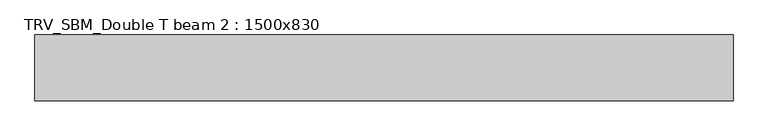
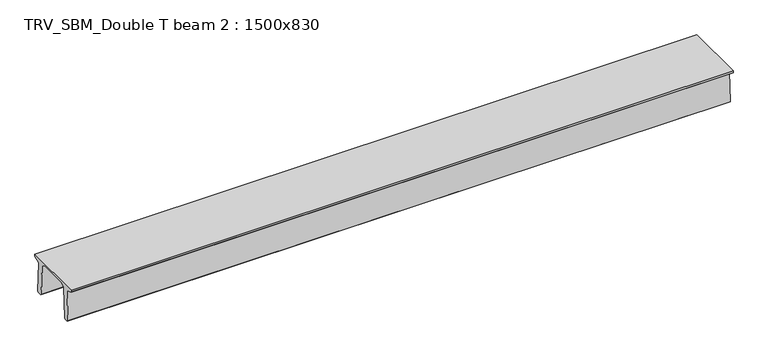
"""IFC4 building model written with IfcOpenShell, lengths in millimetres: beam geometry, TRV_SBM_Double T beam 2 : 1500x830."""

from ifc_helpers import new_model, si_unit, frame, origin, place, context, project, spatial, polyline, outline, extrude, source, transform, mapped, element, save


def trv_sbm_double_t_beam_2_1500x830_4930143b(model_context):
    return source(origin(), model_context, "Body", "SweptSolid", [
        extrude(outline(polyline([(337.4555014, 470.0), (-343.4555014, 470.0), (-456.5828437, 409.8491251), (-494.786332, -340.5206011), (-514.2657308, -360.0), (-604.2657308, -360.0), (-624.8277662, -339.4379646), (-586.9373878, 401.9654693), (-752.8511046, 468.9989621), (-753.0, 475.0), (-753.0, 520.0), (747.0, 520.0), (747.0, 475.0), (746.8511046, 468.9989621), (580.9373878, 401.9654693), (618.8277662, -339.4379646), (598.2657308, -360.0), (508.2657308, -360.0), (488.786332, -340.5206011), (450.5828437, 409.8491251), (337.4555014, 470.0)])), frame((-7900.5, 0.0, 0.0), z_axis=(1.0, 0.0, 0.0), x_axis=(0.0, 1.0, 0.0)), (0.0, 0.0, 1.0), 15878.0),
    ])


if __name__ == "__main__":
    model = new_model("IFC4")
    model_context = context("Model", 3, world=origin())
    ifc_project = project(units=[si_unit("LENGTHUNIT", "METRE", prefix="MILLI")], contexts=[model_context])
    site = spatial("IfcSite", under=ifc_project)
    building = spatial("IfcBuilding", under=site)
    placement = place(None, origin())
    trv_sbm_double_t_beam_2_1500x830_shape = trv_sbm_double_t_beam_2_1500x830_4930143b(model_context)
    element("IfcBeam", 1, ObjectType="TRV_SBM_Double T beam 2 : 1500x830", at=placement, inside=building, context=model_context, shape_type="MappedRepresentation", body=[
        mapped(trv_sbm_double_t_beam_2_1500x830_shape, transform((0.0, 0.0, 0.0), x_axis=(1.0, 0.0, 0.0), y_axis=(0.0, 1.0, 0.0), z_axis=(0.0, 0.0, 1.0))),
    ])
    save(model, "model.ifc")
